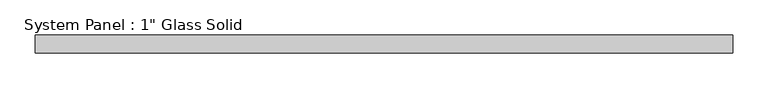
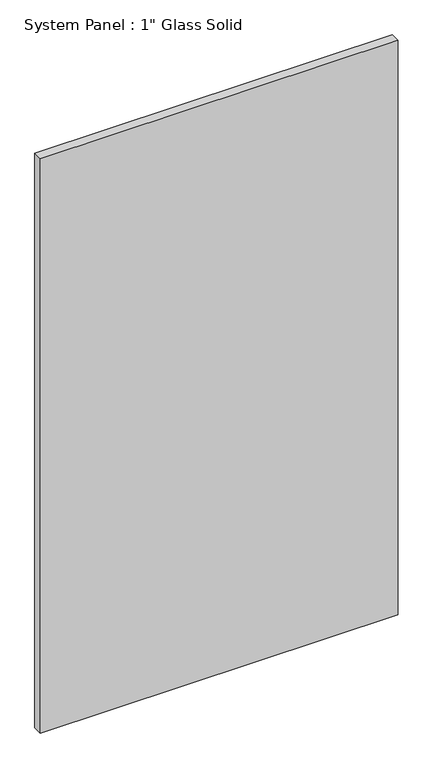
"""IFC4 building model written with IfcOpenShell, lengths in millimetres: plate geometry."""

from ifc_helpers import new_model, si_unit, origin, origin_with_axes, place, context, project, spatial, polyline, outline, extrude, source, transform, mapped, element, save


def plate_b67f2ade(model_context):
    return source(origin(), model_context, "Body", "SweptSolid", [
        extrude(outline(polyline([(492.125, -12.7), (-492.125, -12.7), (-492.125, 12.7), (492.125, 12.7), (492.125, -12.7)])), origin_with_axes(), (0.0, 0.0, 1.0), 1670.05),
    ])


if __name__ == "__main__":
    model = new_model("IFC4")
    model_context = context("Model", 3, world=origin())
    ifc_project = project(units=[si_unit("LENGTHUNIT", "METRE", prefix="MILLI")], contexts=[model_context])
    site = spatial("IfcSite", under=ifc_project)
    building = spatial("IfcBuilding", under=site)
    placement = place(None, origin())
    plate_shape = plate_b67f2ade(model_context)
    element("IfcPlate", 1, ObjectType="System Panel : 1\" Glass Solid", at=placement, inside=building, context=model_context, shape_type="MappedRepresentation", body=[
        mapped(plate_shape, transform((0.0, 0.0, 0.0), x_axis=(1.0, 0.0, 0.0), y_axis=(0.0, 1.0, 0.0), z_axis=(0.0, 0.0, 1.0))),
    ])
    save(model, "model.ifc")
